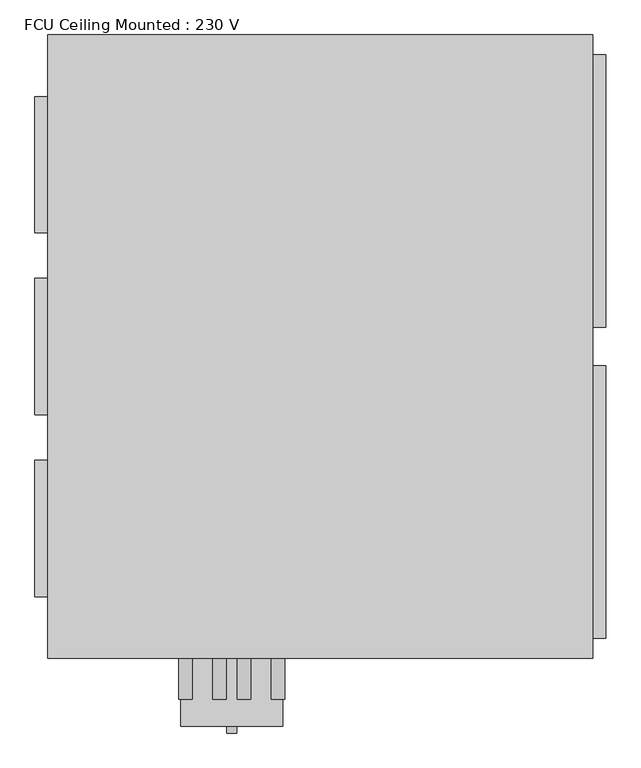
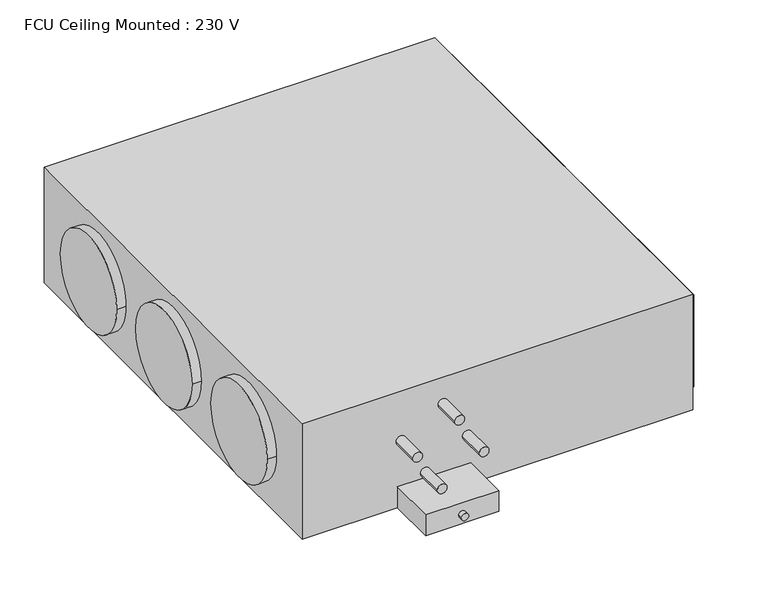
"""IFC4 building model written with IfcOpenShell, lengths in millimetres: proxy geometry, FCU Ceiling Mounted : 230 V."""

from ifc_helpers import new_model, si_unit, point, frame, frame_2d, origin, origin_2d, place, context, project, spatial, polyline, circle_curve, trimmed, segment, composite_curve, outline, extrude, source, transform, mapped, element, save


def fcu_ceiling_mounted_230_v_eec0ef27(model_context):
    return source(origin(), model_context, "Body", "SweptSolid", [
        extrude(outline(polyline([(419.0, 428.5), (419.0, 28.5), (400.0, 28.5), (400.0, 428.5), (419.0, 428.5)])), frame((0.0, 0.0, -100.0), z_axis=(0.0, 0.0, 1.0), x_axis=(1.0, 0.0, 0.0)), (0.0, 0.0, 1.0), 200.0),
        extrude(outline(polyline([(419.0, -28.5), (419.0, -428.5), (400.0, -428.5), (400.0, -28.5), (419.0, -28.5)])), frame((0.0, 0.0, -100.0), z_axis=(0.0, 0.0, 1.0), x_axis=(1.0, 0.0, 0.0)), (0.0, 0.0, 1.0), 200.0),
        extrude(outline(composite_curve([segment(trimmed(circle_curve(frame_2d((267.0, 0.0)), 100.0), [point((167.0, 0.0))], [point((367.0, 0.0))], False, "CARTESIAN"), True, "CONTINUOUS"), segment(trimmed(circle_curve(frame_2d((267.0, 0.0)), 100.0), [point((367.0, 0.0))], [point((167.0, 0.0))], False, "CARTESIAN"), True, "CONTINUOUS")], self_intersect=False)), frame((-419.0, 0.0, 0.0), z_axis=(1.0, 0.0, 0.0), x_axis=(0.0, 1.0, 0.0)), (0.0, 0.0, 1.0), 19.0),
        extrude(outline(composite_curve([segment(trimmed(circle_curve(origin_2d(), 100.0), [point((-100.0, 0.0))], [point((100.0, 0.0))], False, "CARTESIAN"), True, "CONTINUOUS"), segment(trimmed(circle_curve(origin_2d(), 100.0), [point((100.0, 0.0))], [point((-100.0, 0.0))], False, "CARTESIAN"), True, "CONTINUOUS")], self_intersect=False)), frame((-419.0, 0.0, 0.0), z_axis=(1.0, 0.0, 0.0), x_axis=(0.0, 1.0, 0.0)), (0.0, 0.0, 1.0), 19.0),
        extrude(outline(composite_curve([segment(trimmed(circle_curve(frame_2d((-267.0, 0.0)), 100.0), [point((-367.0, 0.0))], [point((-167.0, 0.0))], False, "CARTESIAN"), True, "CONTINUOUS"), segment(trimmed(circle_curve(frame_2d((-267.0, 0.0)), 100.0), [point((-167.0, 0.0))], [point((-367.0, 0.0))], False, "CARTESIAN"), True, "CONTINUOUS")], self_intersect=False)), frame((-419.0, 0.0, 0.0), z_axis=(1.0, 0.0, 0.0), x_axis=(0.0, 1.0, 0.0)), (0.0, 0.0, 1.0), 19.0),
        extrude(outline(composite_curve([segment(trimmed(circle_curve(frame_2d((-105.0, -130.0)), 7.5), [point((-105.0, -137.5))], [point((-105.0, -122.5))], False, "CARTESIAN"), True, "CONTINUOUS"), segment(trimmed(circle_curve(frame_2d((-105.0, -130.0)), 7.5), [point((-105.0, -122.5))], [point((-105.0, -137.5))], False, "CARTESIAN"), True, "CONTINUOUS")], self_intersect=False)), frame((0.0, -567.5, 0.0), z_axis=(0.0, 1.0, 0.0), x_axis=(0.0, 0.0, 1.0)), (0.0, 0.0, 1.0), 10.0),
        extrude(outline(polyline([(-55.0, -557.5), (-205.0, -557.5), (-205.0, -457.5), (-55.0, -457.5), (-55.0, -557.5)])), frame((0.0, 0.0, -125.0), z_axis=(0.0, 0.0, 1.0), x_axis=(1.0, 0.0, 0.0)), (0.0, 0.0, 1.0), 45.0),
        extrude(outline(composite_curve([segment(trimmed(circle_curve(frame_2d((-18.0, -62.0)), 10.0), [point((-18.0, -72.0))], [point((-18.0, -52.0))], False, "CARTESIAN"), True, "CONTINUOUS"), segment(trimmed(circle_curve(frame_2d((-18.0, -62.0)), 10.0), [point((-18.0, -52.0))], [point((-18.0, -72.0))], False, "CARTESIAN"), True, "CONTINUOUS")], self_intersect=False)), frame((0.0, -517.5, 0.0), z_axis=(0.0, 1.0, 0.0), x_axis=(0.0, 0.0, 1.0)), (0.0, 0.0, 1.0), 60.0),
        extrude(outline(composite_curve([segment(trimmed(circle_curve(frame_2d((68.0, -112.0)), 10.0), [point((68.0, -122.0))], [point((68.0, -102.0))], False, "CARTESIAN"), True, "CONTINUOUS"), segment(trimmed(circle_curve(frame_2d((68.0, -112.0)), 10.0), [point((68.0, -102.0))], [point((68.0, -122.0))], False, "CARTESIAN"), True, "CONTINUOUS")], self_intersect=False)), frame((0.0, -517.5, 0.0), z_axis=(0.0, 1.0, 0.0), x_axis=(0.0, 0.0, 1.0)), (0.0, 0.0, 1.0), 60.0),
        extrude(outline(composite_curve([segment(trimmed(circle_curve(frame_2d((-68.0, -148.0)), 10.0), [point((-68.0, -158.0))], [point((-68.0, -138.0))], False, "CARTESIAN"), True, "CONTINUOUS"), segment(trimmed(circle_curve(frame_2d((-68.0, -148.0)), 10.0), [point((-68.0, -138.0))], [point((-68.0, -158.0))], False, "CARTESIAN"), True, "CONTINUOUS")], self_intersect=False)), frame((0.0, -517.5, 0.0), z_axis=(0.0, 1.0, 0.0), x_axis=(0.0, 0.0, 1.0)), (0.0, 0.0, 1.0), 60.0),
        extrude(outline(composite_curve([segment(trimmed(circle_curve(frame_2d((18.0, -198.0)), 10.0), [point((18.0, -208.0))], [point((18.0, -188.0))], False, "CARTESIAN"), True, "CONTINUOUS"), segment(trimmed(circle_curve(frame_2d((18.0, -198.0)), 10.0), [point((18.0, -188.0))], [point((18.0, -208.0))], False, "CARTESIAN"), True, "CONTINUOUS")], self_intersect=False)), frame((0.0, -517.5, 0.0), z_axis=(0.0, 1.0, 0.0), x_axis=(0.0, 0.0, 1.0)), (0.0, 0.0, 1.0), 60.0),
        extrude(outline(polyline([(400.0, 457.5), (400.0, -457.5), (-400.0, -457.5), (-400.0, 457.5), (400.0, 457.5)])), frame((0.0, 0.0, -125.0), z_axis=(0.0, 0.0, 1.0), x_axis=(1.0, 0.0, 0.0)), (0.0, 0.0, 1.0), 250.0),
    ])


if __name__ == "__main__":
    model = new_model("IFC4")
    model_context = context("Model", 3, world=origin())
    ifc_project = project(units=[si_unit("LENGTHUNIT", "METRE", prefix="MILLI")], contexts=[model_context])
    site = spatial("IfcSite", under=ifc_project)
    building = spatial("IfcBuilding", under=site)
    placement = place(None, origin())
    fcu_ceiling_mounted_230_v_shape = fcu_ceiling_mounted_230_v_eec0ef27(model_context)
    element("IfcBuildingElementProxy", 1, Name="FCU Ceiling Mounted : 230 V", ObjectType="FCU Ceiling Mounted : 230 V", at=placement, inside=building, context=model_context, shape_type="MappedRepresentation", body=[
        mapped(fcu_ceiling_mounted_230_v_shape, transform((0.0, 0.0, 0.0), x_axis=(1.0, 0.0, 0.0), y_axis=(0.0, 1.0, 0.0), z_axis=(0.0, 0.0, 1.0))),
    ])
    save(model, "model.ifc")
